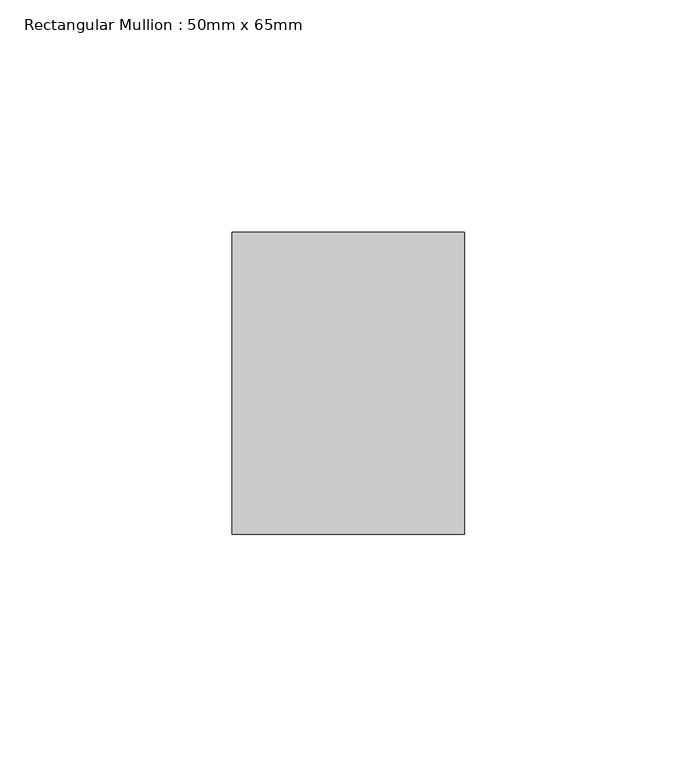
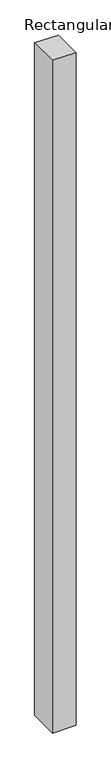
"""IFC4 building model written with IfcOpenShell, lengths in millimetres: member geometry, Rectangular Mullion : 50mm x 65mm."""

from ifc_helpers import new_model, si_unit, origin, place, context, project, spatial, faceted_brep, source, transform, mapped, element, save


def rectangular_mullion_50mm_x_65mm_16f01739(model_context):
    return source(origin(), model_context, "Body", "Brep", [
        faceted_brep([(-25.0, 32.5, -0.2027381), (25.0, 32.5, -0.2027392), (25.0, 32.5, -1499.8928666), (-25.0, 32.5, -1499.8928671), (-25.0, -32.5, 0.2027392), (-25.0, -32.5, -1500.1075294), (25.0, -32.5, 0.2027381), (25.0, -32.5, -1500.1075289)], [[[0, 1, 2, 3]], [[4, 0, 3, 5]], [[6, 4, 5, 7]], [[1, 6, 7, 2]], [[1, 0, 4, 6]], [[2, 7, 5, 3]]]),
    ])


if __name__ == "__main__":
    model = new_model("IFC4")
    model_context = context("Model", 3, world=origin())
    ifc_project = project(units=[si_unit("LENGTHUNIT", "METRE", prefix="MILLI")], contexts=[model_context])
    site = spatial("IfcSite", under=ifc_project)
    building = spatial("IfcBuilding", under=site)
    placement = place(None, origin())
    rectangular_mullion_50mm_x_65mm_shape = rectangular_mullion_50mm_x_65mm_16f01739(model_context)
    element("IfcMember", 1, ObjectType="Rectangular Mullion : 50mm x 65mm", at=placement, inside=building, context=model_context, shape_type="MappedRepresentation", body=[
        mapped(rectangular_mullion_50mm_x_65mm_shape, transform((0.0, 0.0, 0.0), x_axis=(1.0, 0.0, 0.0), y_axis=(0.0, 1.0, 0.0), z_axis=(0.0, 0.0, 1.0))),
    ])
    save(model, "model.ifc")
